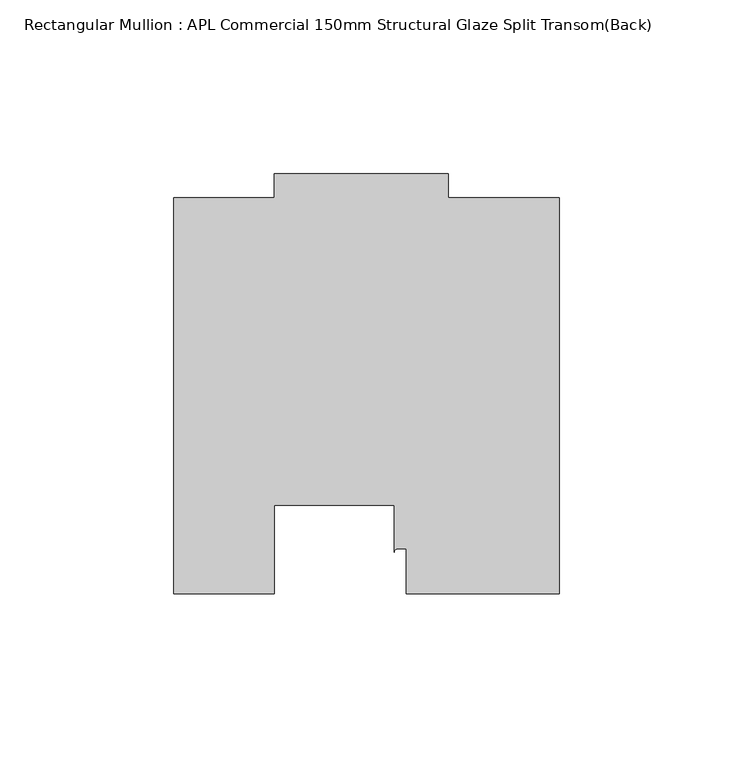
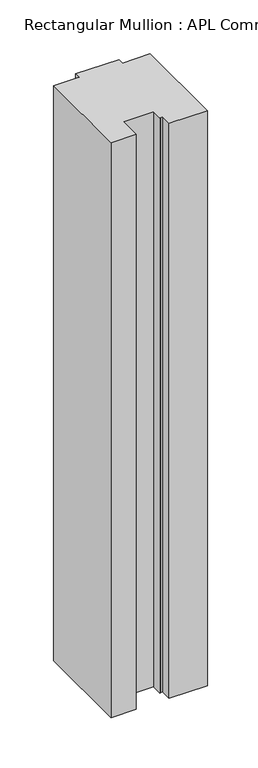
"""IFC4 building model written with IfcOpenShell, lengths in millimetres: member geometry, Rectangular Mullion : APL Commercial 150mm Structural Glaze Split Transom(Back)."""

from ifc_helpers import new_model, si_unit, point, frame, frame_2d, origin, place, context, project, spatial, polyline, circle_curve, trimmed, segment, composite_curve, outline, extrude, source, transform, mapped, element, save


def rectangular_mullion_apl_commercial_150mm_structural_glaze_9779cf3d(model_context):
    return source(origin(), model_context, "Body", "SweptSolid", [
        extrude(outline(composite_curve([segment(polyline([(54.0000029, 15.0004617), (10.0000029, 15.0004617), (10.0000029, 28.0002131), (7.5000029, 28.0002131)]), True, "CONTINUOUS"), segment(trimmed(circle_curve(frame_2d((7.5000029, 27.0002131)), 1.0), [point((7.5000029, 28.0002131))], [point((6.5000029, 27.0002131))], True, "CARTESIAN"), True, "CONTINUOUS"), segment(polyline([(6.5000029, 27.0002131), (6.5000029, 40.499932), (-28.0000482, 40.499932), (-28.0000482, 15.0001793), (-57.0000004, 15.0001793), (-57.0000004, 129.0002765), (-27.9971154, 129.0002765), (-27.9971154, 136.0003326), (22.0028846, 136.0003326), (22.0028846, 129.0003326), (54.0000029, 129.0003326), (54.0000029, 15.0004617)]), True, "CONTINUOUS")], self_intersect=False)), frame((0.0, 0.0, -698.0499782), z_axis=(0.0, 0.0, 1.0), x_axis=(1.0, 0.0, 0.0)), (0.0, 0.0, 1.0), 698.0499782),
    ])


if __name__ == "__main__":
    model = new_model("IFC4")
    model_context = context("Model", 3, world=origin())
    ifc_project = project(units=[si_unit("LENGTHUNIT", "METRE", prefix="MILLI")], contexts=[model_context])
    site = spatial("IfcSite", under=ifc_project)
    building = spatial("IfcBuilding", under=site)
    placement = place(None, origin())
    rectangular_mullion_apl_commercial_150mm_structural_glaze_shape = rectangular_mullion_apl_commercial_150mm_structural_glaze_9779cf3d(model_context)
    element("IfcMember", 1, ObjectType="Rectangular Mullion : APL Commercial 150mm Structural Glaze Split Transom(Back)", at=placement, inside=building, context=model_context, shape_type="MappedRepresentation", body=[
        mapped(rectangular_mullion_apl_commercial_150mm_structural_glaze_shape, transform((0.0, 0.0, 0.0), x_axis=(1.0, 0.0, 0.0), y_axis=(0.0, 1.0, 0.0), z_axis=(0.0, 0.0, 1.0))),
    ])
    save(model, "model.ifc")
